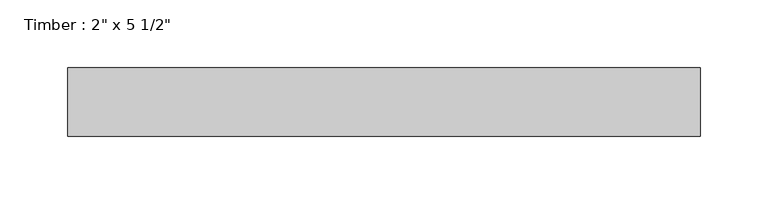
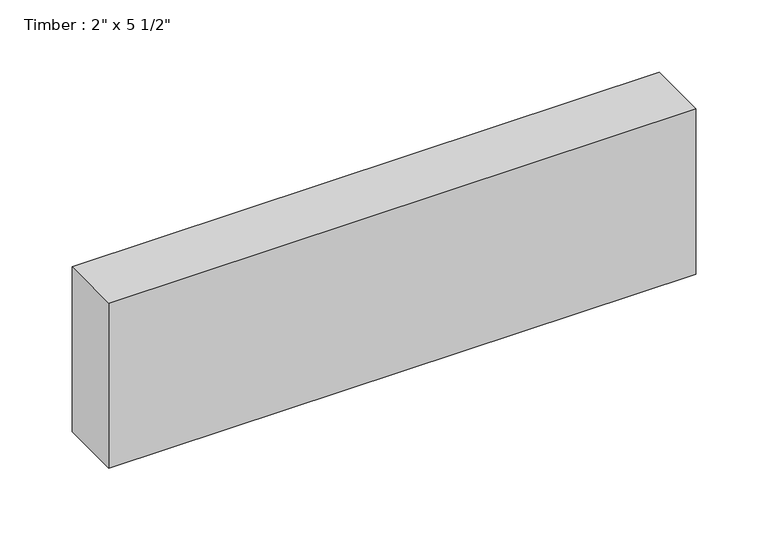
"""IFC4 building model written with IfcOpenShell, lengths in millimetres: beam geometry."""

from ifc_helpers import new_model, si_unit, frame, origin, place, context, project, spatial, polyline, outline, extrude, source, transform, mapped, element, save


def beam_2fc3d9ed(model_context):
    return source(origin(), model_context, "Body", "SweptSolid", [
        extrude(outline(polyline([(234.3418825, 25.4), (234.3418825, -25.4), (-234.3418825, -25.4), (-234.3418825, 25.4), (234.3418825, 25.4)])), frame((0.0, 0.0, -69.85), z_axis=(0.0, 0.0, 1.0), x_axis=(1.0, 0.0, 0.0)), (0.0, 0.0, 1.0), 139.7),
    ])


if __name__ == "__main__":
    model = new_model("IFC4")
    model_context = context("Model", 3, world=origin())
    ifc_project = project(units=[si_unit("LENGTHUNIT", "METRE", prefix="MILLI")], contexts=[model_context])
    site = spatial("IfcSite", under=ifc_project)
    building = spatial("IfcBuilding", under=site)
    placement = place(None, origin())
    beam_shape = beam_2fc3d9ed(model_context)
    element("IfcBeam", 1, ObjectType="Timber : 2\" x 5 1/2\"", at=placement, inside=building, context=model_context, shape_type="MappedRepresentation", body=[
        mapped(beam_shape, transform((0.0, 0.0, 0.0), x_axis=(1.0, 0.0, 0.0), y_axis=(0.0, 1.0, 0.0), z_axis=(0.0, 0.0, 1.0))),
    ])
    save(model, "model.ifc")
